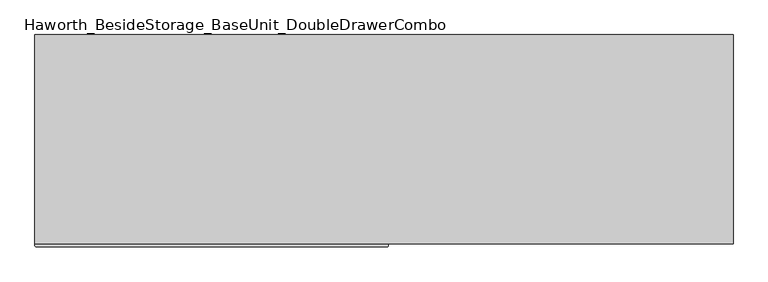
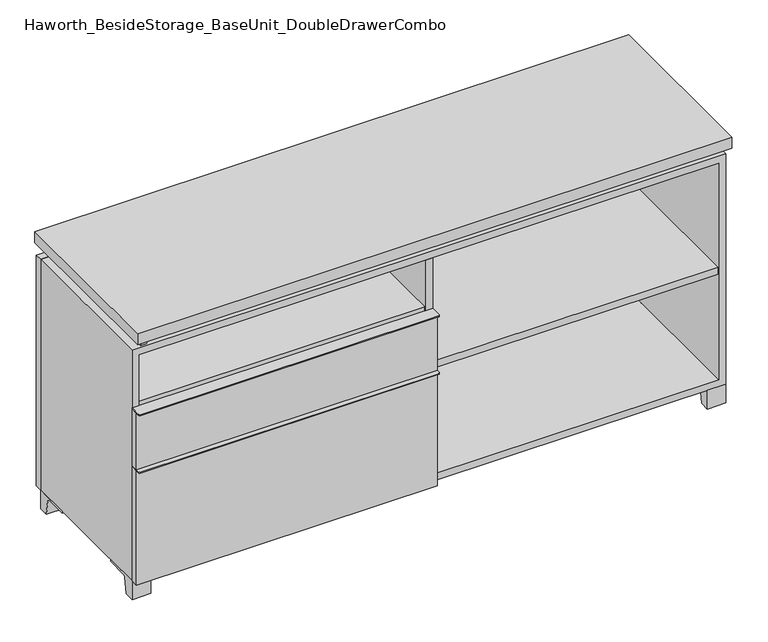
"""IFC4 building model written with IfcOpenShell, lengths in millimetres: furniture geometry, Haworth_BesideStorage_BaseUnit_DoubleDrawerCombo."""

from ifc_helpers import new_model, si_unit, point, frame, frame_2d, origin, place, context, project, spatial, polyline, circle_curve, trimmed, segment, composite_curve, outline, extrude, source, transform, mapped, element, save


def haworth_besidestorage_baseunit_doubledrawercombo_5f8cbf38(model_context):
    return source(origin(), model_context, "Body", "SweptSolid", [
        extrude(outline(polyline([(-9.5111094, 234.95), (-9.5111094, -136.525), (-742.9361094, -136.525), (-742.9361094, 234.95), (-9.5111094, 234.95)])), frame((0.0, 0.0, 510.38125), z_axis=(0.0, 0.0, 1.0), x_axis=(1.0, 0.0, 0.0)), (0.0, 0.0, 1.0), 19.05),
        extrude(outline(composite_curve([segment(polyline([(9.5388906, -139.7), (9.5388906, -168.275)]), True, "CONTINUOUS"), segment(trimmed(circle_curve(frame_2d((6.3638906, -168.275)), 3.175), [point((9.5388906, -168.275))], [point((6.3638906, -171.45))], False, "CARTESIAN"), True, "CONTINUOUS"), segment(polyline([(6.3638906, -171.45), (-758.8111094, -171.45)]), True, "CONTINUOUS"), segment(trimmed(circle_curve(frame_2d((-758.8111094, -168.275)), 3.175), [point((-758.8111094, -171.45))], [point((-761.9861094, -168.275))], False, "CARTESIAN"), True, "CONTINUOUS"), segment(polyline([(-761.9861094, -168.275), (-761.9861094, -139.7), (9.5388906, -139.7)]), True, "CONTINUOUS")], self_intersect=False)), frame((0.0, 0.0, 517.525), z_axis=(0.0, 0.0, 1.0), x_axis=(1.0, 0.0, 0.0)), (0.0, 0.0, 1.0), 2.38125),
        extrude(outline(polyline([(9.5388906, -139.7), (9.5388906, -158.75), (-761.9861094, -158.75), (-761.9861094, -139.7), (9.5388906, -139.7)])), frame((0.0, 0.0, 363.5375), z_axis=(0.0, 0.0, 1.0), x_axis=(1.0, 0.0, 0.0)), (0.0, 0.0, 1.0), 153.9875),
        extrude(outline(composite_curve([segment(polyline([(9.5388906, -139.7), (9.5388906, -168.275)]), True, "CONTINUOUS"), segment(trimmed(circle_curve(frame_2d((6.3638906, -168.275)), 3.175), [point((9.5388906, -168.275))], [point((6.3638906, -171.45))], False, "CARTESIAN"), True, "CONTINUOUS"), segment(polyline([(6.3638906, -171.45), (-758.8111094, -171.45)]), True, "CONTINUOUS"), segment(trimmed(circle_curve(frame_2d((-758.8111094, -168.275)), 3.175), [point((-758.8111094, -171.45))], [point((-761.9861094, -168.275))], False, "CARTESIAN"), True, "CONTINUOUS"), segment(polyline([(-761.9861094, -168.275), (-761.9861094, -139.7), (9.5388906, -139.7)]), True, "CONTINUOUS")], self_intersect=False)), frame((0.0, 0.0, 361.15625), z_axis=(0.0, 0.0, 1.0), x_axis=(1.0, 0.0, 0.0)), (0.0, 0.0, 1.0), 2.38125),
        extrude(outline(polyline([(9.5388906, -139.7), (9.5388906, -158.75), (-761.9861094, -158.75), (-761.9861094, -139.7), (9.5388906, -139.7)])), frame((0.0, 0.0, 50.8), z_axis=(0.0, 0.0, 1.0), x_axis=(1.0, 0.0, 0.0)), (0.0, 0.0, 1.0), 310.35625),
        extrude(outline(polyline([(742.9569453, 234.95), (742.9569453, -136.525), (9.5319453, -136.525), (9.5319453, 234.95), (742.9569453, 234.95)])), frame((0.0, 0.0, 354.0125), z_axis=(0.0, 0.0, 1.0), x_axis=(1.0, 0.0, 0.0)), (0.0, 0.0, 1.0), 19.05),
        extrude(outline(composite_curve([segment(polyline([(53.9749864, 0.0), (28.575, 0.0), (28.575, 50.8), (123.825, 50.8), (123.825, 46.0213321), (67.0244655, 46.0213321)]), True, "CONTINUOUS"), segment(trimmed(circle_curve(frame_2d((67.0244655, 39.6713321)), 6.35), [point((67.0244655, 46.0213321))], [point((60.7608641, 40.7152656))], True, "CARTESIAN"), True, "CONTINUOUS"), segment(polyline([(60.7608641, 40.7152656), (53.9749864, 0.0)]), True, "CONTINUOUS")], self_intersect=False)), frame((-23.7986094, 0.0, 0.0), z_axis=(1.0, 0.0, 0.0), x_axis=(0.0, 1.0, 0.0)), (0.0, 0.0, 1.0), 47.625),
        extrude(outline(polyline([(762.0138906, 292.1), (762.0138906, -165.1), (-761.9861094, -165.1), (-761.9861094, 292.1), (762.0138906, 292.1)])), frame((0.0, 0.0, 706.4375), z_axis=(0.0, 0.0, 1.0), x_axis=(1.0, 0.0, 0.0)), (0.0, 0.0, 1.0), 30.1625),
        extrude(outline(composite_curve([segment(polyline([(-114.3000136, 0.0), (-139.7, 0.0), (-139.7, 50.8), (-44.45, 50.8), (-44.45, 46.0213321), (-101.2505345, 46.0213321)]), True, "CONTINUOUS"), segment(trimmed(circle_curve(frame_2d((-101.2505345, 39.6713321)), 6.35), [point((-101.2505345, 46.0213321))], [point((-107.5141359, 40.7152656))], True, "CARTESIAN"), True, "CONTINUOUS"), segment(polyline([(-107.5141359, 40.7152656), (-114.3000136, 0.0)]), True, "CONTINUOUS")], self_intersect=False)), frame((714.3888906, 0.0, 0.0), z_axis=(1.0, 0.0, 0.0), x_axis=(0.0, 1.0, 0.0)), (0.0, 0.0, 1.0), 47.625),
        extrude(outline(composite_curve([segment(polyline([(241.3000136, 0.0), (234.5141359, 40.7152656)]), True, "CONTINUOUS"), segment(trimmed(circle_curve(frame_2d((228.2505345, 39.6713321)), 6.35), [point((234.5141359, 40.7152656))], [point((228.2505345, 46.0213321))], True, "CARTESIAN"), True, "CONTINUOUS"), segment(polyline([(228.2505345, 46.0213321), (171.45, 46.0213321), (171.45, 50.8), (266.7, 50.8), (266.7, 0.0), (241.3000136, 0.0)]), True, "CONTINUOUS")], self_intersect=False)), frame((714.3888906, 0.0, 0.0), z_axis=(1.0, 0.0, 0.0), x_axis=(0.0, 1.0, 0.0)), (0.0, 0.0, 1.0), 47.625),
        extrude(outline(composite_curve([segment(polyline([(-114.3000136, 0.0), (-139.7, 0.0), (-139.7, 50.8), (-44.45, 50.8), (-44.45, 46.0213321), (-101.2505345, 46.0213321)]), True, "CONTINUOUS"), segment(trimmed(circle_curve(frame_2d((-101.2505345, 39.6713321)), 6.35), [point((-101.2505345, 46.0213321))], [point((-107.5141359, 40.7152656))], True, "CARTESIAN"), True, "CONTINUOUS"), segment(polyline([(-107.5141359, 40.7152656), (-114.3000136, 0.0)]), True, "CONTINUOUS")], self_intersect=False)), frame((-761.9861094, 0.0, 0.0), z_axis=(1.0, 0.0, 0.0), x_axis=(0.0, 1.0, 0.0)), (0.0, 0.0, 1.0), 47.625),
        extrude(outline(composite_curve([segment(polyline([(241.3000136, 0.0), (234.5141359, 40.7152656)]), True, "CONTINUOUS"), segment(trimmed(circle_curve(frame_2d((228.2505345, 39.6713321)), 6.35), [point((234.5141359, 40.7152656))], [point((228.2505345, 46.0213321))], True, "CARTESIAN"), True, "CONTINUOUS"), segment(polyline([(228.2505345, 46.0213321), (171.45, 46.0213321), (171.45, 50.8), (266.7, 50.8), (266.7, 0.0), (241.3000136, 0.0)]), True, "CONTINUOUS")], self_intersect=False)), frame((-761.9861094, 0.0, 0.0), z_axis=(1.0, 0.0, 0.0), x_axis=(0.0, 1.0, 0.0)), (0.0, 0.0, 1.0), 47.625),
        extrude(outline(polyline([(-736.5791641, -133.35), (-736.5791641, 234.95), (-720.7041641, 234.95), (-720.7041641, 73.025), (-7.9236094, 73.025), (-7.9236094, 247.65), (7.9513906, 247.65), (7.9513906, 73.025), (720.7111094, 73.025), (720.7111094, 247.65), (736.5861094, 247.65), (736.5861094, -120.65), (720.7111094, -120.65), (720.7111094, 53.975), (7.9513906, 53.975), (7.9513906, -120.65), (-7.9236094, -120.65), (-7.9236094, 53.975), (-720.7041641, 53.975), (-720.7041641, -133.35), (-736.5791641, -133.35)])), frame((0.0, 0.0, 676.275), z_axis=(0.0, 0.0, 1.0), x_axis=(1.0, 0.0, 0.0)), (0.0, 0.0, 1.0), 30.1625),
        extrude(outline(polyline([(9.5388906, 234.95), (9.5388906, -139.7), (-9.5111094, -139.7), (-9.5111094, 234.95), (9.5388906, 234.95)])), frame((0.0, 0.0, 69.85), z_axis=(0.0, 0.0, 1.0), x_axis=(1.0, 0.0, 0.0)), (0.0, 0.0, 1.0), 587.375),
        extrude(outline(polyline([(762.0138906, 266.7), (-761.9861094, 266.7), (-761.9861094, 285.75), (762.0138906, 285.75), (762.0138906, 266.7)])), frame((0.0, 0.0, 50.8), z_axis=(0.0, 0.0, 1.0), x_axis=(1.0, 0.0, 0.0)), (0.0, 0.0, 1.0), 625.475),
        extrude(outline(polyline([(50.8, -761.9861094), (50.8, 762.0), (676.275, 762.0), (676.275, -761.9861094), (50.8, -761.9861094)]), holes=[polyline([(69.85, -742.9361094), (657.225, -742.9361094), (657.225, 742.9361094), (69.85, 742.9361094), (69.85, -742.9361094)])]), frame((0.0, -139.7, 0.0), z_axis=(0.0, 1.0, 0.0), x_axis=(0.0, 0.0, 1.0)), (0.0, 0.0, 1.0), 406.4),
        extrude(outline(polyline([(-742.9291641, 234.95), (-742.9291641, 241.3), (742.9569453, 241.3), (742.9569453, 234.95), (-742.9291641, 234.95)])), frame((0.0, 0.0, 69.85), z_axis=(0.0, 0.0, 1.0), x_axis=(1.0, 0.0, 0.0)), (0.0, 0.0, 1.0), 587.375),
    ])


if __name__ == "__main__":
    model = new_model("IFC4")
    model_context = context("Model", 3, world=origin())
    ifc_project = project(units=[si_unit("LENGTHUNIT", "METRE", prefix="MILLI")], contexts=[model_context])
    site = spatial("IfcSite", under=ifc_project)
    building = spatial("IfcBuilding", under=site)
    placement = place(None, origin())
    haworth_besidestorage_baseunit_doubledrawercombo_shape = haworth_besidestorage_baseunit_doubledrawercombo_5f8cbf38(model_context)
    element("IfcFurniture", 1, ObjectType="Haworth_BesideStorage_BaseUnit_DoubleDrawerCombo", at=placement, inside=building, context=model_context, shape_type="MappedRepresentation", body=[
        mapped(haworth_besidestorage_baseunit_doubledrawercombo_shape, transform((0.0, 0.0, 0.0), x_axis=(1.0, 0.0, 0.0), y_axis=(0.0, 1.0, 0.0), z_axis=(0.0, 0.0, 1.0))),
    ])
    save(model, "model.ifc")
